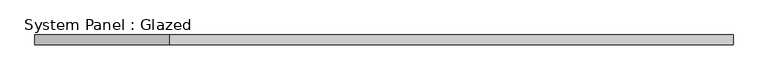
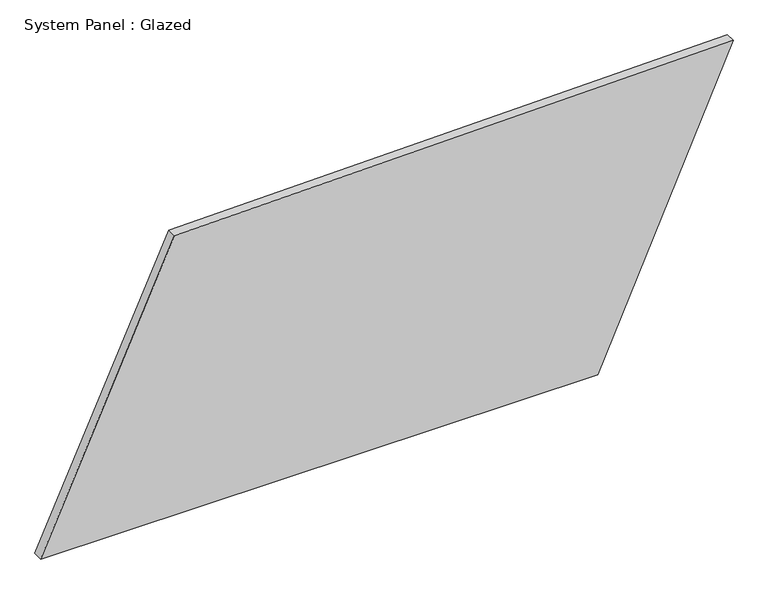
"""IFC4 building model written with IfcOpenShell, lengths in millimetres: plate geometry, System Panel : Glazed."""

import ifcopenshell
import ifcopenshell.guid

model = None  # the IFC model being written
_history = None  # IfcOwnerHistory: only IFC2X3 demands one
_inside = {}  # id of a spatial element -> (the spatial element, [elements in it])
_under = {}  # id of a project, library or spatial element -> (it, [spatial elements below it])
_declared = {}  # id of a project -> (the project, [libraries it declares])
_typed = {}  # id of a type object -> (the type object, [elements of that type])
_made_of = {}  # id of a material, layer set ... -> (it, [elements and type objects made of it])


def new_model(schema):
    """Start an empty IFC model of exactly this schema.

    Asked for "IFC4X3", IfcOpenShell would pick the latest addendum, in which some entities
    have other attributes; the version numbers below select the first issue.
    IFC2X3 requires an IfcOwnerHistory on every rooted entity: one is made here for all.
    """
    global model, _history
    if schema == "IFC4X3":
        model = ifcopenshell.file(schema_version=(4, 3, 0, 0))
    else:
        model = ifcopenshell.file(schema=schema)
    _inside.clear()
    _under.clear()
    _declared.clear()
    _typed.clear()
    _made_of.clear()
    _history = None
    if model.schema == "IFC2X3":
        org = make("IfcOrganization", Name="unknown")
        user = make(
            "IfcPersonAndOrganization",
            ThePerson=make("IfcPerson", FamilyName="unknown"),
            TheOrganization=org,
        )
        app = make(
            "IfcApplication",
            ApplicationDeveloper=org,
            Version="unknown",
            ApplicationFullName="unknown",
            ApplicationIdentifier="unknown",
        )
        _history = make(
            "IfcOwnerHistory",
            OwningUser=user,
            OwningApplication=app,
            ChangeAction="ADDED",
            CreationDate=0,
        )
    return model


def make(cls, **values):
    """One entity of the class cls with the attributes given. An attribute that is None is left unset."""
    return model.create_entity(
        cls, **{name: value for name, value in values.items() if value is not None}
    )


def rooted(cls, **values):
    """An entity with a GlobalId (a new one), such as an element, a storey or a relation."""
    return make(cls, GlobalId=ifcopenshell.guid.new(), OwnerHistory=_history, **values)


def si_unit(unit_type, name, prefix=None):
    """IfcSIUnit, for example si_unit("LENGTHUNIT", "METRE", prefix="MILLI")."""
    return make("IfcSIUnit", UnitType=unit_type, Prefix=prefix, Name=name)


def assignment(units):
    """IfcUnitAssignment: the units of a project."""
    return None if units is None else make("IfcUnitAssignment", Units=units)


def point(xyz):
    """IfcCartesianPoint."""
    return None if xyz is None else make("IfcCartesianPoint", Coordinates=xyz)


def direction(xyz):
    """IfcDirection."""
    return None if xyz is None else make("IfcDirection", DirectionRatios=xyz)


def frame(location, z_axis=None, x_axis=None):
    """IfcAxis2Placement3D, a coordinate frame: its origin and axes. An axis left out is left unset."""
    return make(
        "IfcAxis2Placement3D",
        Location=point(location),
        Axis=direction(z_axis),
        RefDirection=direction(x_axis),
    )


def origin():
    """The frame at (0, 0, 0) with its axes left unset."""
    return frame((0.0, 0.0, 0.0))


def place(relative_to, where):
    """IfcLocalPlacement: puts the frame where relative to a parent placement (None: the world)."""
    return make(
        "IfcLocalPlacement", PlacementRelTo=relative_to, RelativePlacement=where
    )


def context(
    kind, dimensions, precision=None, world=None, true_north=None, identifier=None
):
    """IfcGeometricRepresentationContext, for example the 3D "Model" context."""
    return make(
        "IfcGeometricRepresentationContext",
        ContextIdentifier=identifier,
        ContextType=kind,
        CoordinateSpaceDimension=dimensions,
        Precision=precision,
        WorldCoordinateSystem=world,
        TrueNorth=true_north,
    )


def project(units=None, contexts=None):
    """IfcProject with its units and contexts."""
    return rooted(
        "IfcProject",
        Name="project",
        RepresentationContexts=contexts,
        UnitsInContext=assignment(units),
    )


def spatial(cls, under=None, at=None, **own):
    """A site, building, storey or space (cls), placed at a placement, below another one or the project."""
    s = rooted(cls, ObjectPlacement=at, **own)
    if under is not None:
        _under.setdefault(under.id(), (under, []))[1].append(s)
    return s


def polyline(points):
    """IfcPolyline through the points."""
    return make("IfcPolyline", Points=[point(p) for p in points])


def outline(outer, holes=None, kind="AREA"):
    """IfcArbitraryClosedProfileDef: a profile drawn as a closed curve; with holes, ...WithVoids."""
    if holes is None:
        return make("IfcArbitraryClosedProfileDef", ProfileType=kind, OuterCurve=outer)
    return make(
        "IfcArbitraryProfileDefWithVoids",
        ProfileType=kind,
        OuterCurve=outer,
        InnerCurves=holes,
    )


def extrude(swept, where, along, depth):
    """IfcExtrudedAreaSolid: the profile swept, set in the frame where, extruded along a direction by depth."""
    return make(
        "IfcExtrudedAreaSolid",
        SweptArea=swept,
        Position=where,
        ExtrudedDirection=direction(along),
        Depth=depth,
    )


def shape(context_of_items, identifier, shape_type, items):
    """IfcShapeRepresentation: the items that make up one representation, for example the "Body"."""
    return make(
        "IfcShapeRepresentation",
        ContextOfItems=context_of_items,
        RepresentationIdentifier=identifier,
        RepresentationType=shape_type,
        Items=items,
    )


def source(mapping_origin, context_of_items, identifier, shape_type, items):
    """IfcRepresentationMap: a shape defined once, which mapped items show again and again."""
    return make(
        "IfcRepresentationMap",
        MappingOrigin=mapping_origin,
        MappedRepresentation=shape(context_of_items, identifier, shape_type, items),
    )


def transform(
    local_origin,
    x_axis=None,
    y_axis=None,
    z_axis=None,
    scale=None,
    scale2=None,
    scale3=None,
    uniform=True,
):
    """IfcCartesianTransformationOperator3D, or its non-uniform kind. x_axis, y_axis, z_axis: its Axis1, 2, 3."""
    if uniform:
        return make(
            "IfcCartesianTransformationOperator3D",
            Axis1=direction(x_axis),
            Axis2=direction(y_axis),
            LocalOrigin=point(local_origin),
            Scale=scale,
            Axis3=direction(z_axis),
        )
    return make(
        "IfcCartesianTransformationOperator3DnonUniform",
        Axis1=direction(x_axis),
        Axis2=direction(y_axis),
        LocalOrigin=point(local_origin),
        Scale=scale,
        Axis3=direction(z_axis),
        Scale2=scale2,
        Scale3=scale3,
    )


def mapped(mapping_source, mapping_target):
    """IfcMappedItem: shows the shape of a source again, moved by a transform."""
    return make(
        "IfcMappedItem", MappingSource=mapping_source, MappingTarget=mapping_target
    )


def made_of(thing, what):
    """Note that an element or type object is made of a material, layer set ...; save() writes the relation."""
    if what is not None:
        _made_of.setdefault(what.id(), (what, []))[1].append(thing)
    return thing


def element(
    cls,
    number,
    at=None,
    inside=None,
    cuts=None,
    type_object=None,
    material=None,
    context=None,
    identifier="Body",
    shape_type=None,
    held_by="IfcProductDefinitionShape",
    body=None,
    shapes=None,
    **own,
):
    """One element of the class cls, such as IfcWall. Its Tag is "e" and its number.

    at: its placement. inside: the storey or other place that contains it. cuts: it is an
    opening in that element (IfcRelVoidsElement). A single representation is given by context,
    identifier, shape_type and body (its items); several are given by shapes. held_by: the class
    of the entity that holds the representations. save() writes the other relations.
    """
    e = rooted(cls, Tag="e%d" % number, ObjectPlacement=at, **own)
    if body is not None:
        shapes = [shape(context, identifier, shape_type, body)]
    if shapes is not None:
        e.Representation = make(held_by, Representations=shapes)
    if inside is not None:
        _inside.setdefault(inside.id(), (inside, []))[1].append(e)
    if cuts is not None:
        rooted(
            "IfcRelVoidsElement", RelatingBuildingElement=cuts, RelatedOpeningElement=e
        )
    if type_object is not None:
        _typed.setdefault(type_object.id(), (type_object, []))[1].append(e)
    return made_of(e, material)


def aggregate(whole, parts):
    """IfcRelAggregates: a whole, such as a stair, and the parts it consists of."""
    return rooted("IfcRelAggregates", RelatingObject=whole, RelatedObjects=parts)


def save(model, path):
    """Write the relations noted so far, then the file.

    IfcRelAggregates (storeys below a building ...), IfcRelContainedInSpatialStructure (elements
    in a storey), IfcRelDefinesByType, IfcRelAssociatesMaterial and IfcRelDeclares: one each for
    every whole, place, type object, material and project.
    """
    for whole, parts in _under.values():
        aggregate(whole, parts)
    for where, things in _inside.values():
        rooted(
            "IfcRelContainedInSpatialStructure",
            RelatedElements=things,
            RelatingStructure=where,
        )
    for kind, things in _typed.values():
        rooted("IfcRelDefinesByType", RelatedObjects=things, RelatingType=kind)
    for what, things in _made_of.values():
        rooted("IfcRelAssociatesMaterial", RelatedObjects=things, RelatingMaterial=what)
    for by, libraries in _declared.values():
        rooted("IfcRelDeclares", RelatingContext=by, RelatedDefinitions=libraries)
    model.write(path)


def system_panel_glazed_abfbeeb1(model_context):
    return source(origin(), model_context, "Body", "SweptSolid", [
        extrude(outline(polyline([(0.0, -893.5468346), (0.0, 544.2262456), (788.9536432, 893.5468346), (761.5310189, -548.2608574), (0.0, -893.5468346)])), frame((0.0, -49.5, 0.0), z_axis=(0.0, 1.0, 0.0), x_axis=(0.0, 0.0, 1.0)), (0.0, 0.0, 1.0), 25.0),
    ])


if __name__ == "__main__":
    model = new_model("IFC4")
    model_context = context("Model", 3, world=origin())
    ifc_project = project(units=[si_unit("LENGTHUNIT", "METRE", prefix="MILLI")], contexts=[model_context])
    site = spatial("IfcSite", under=ifc_project)
    building = spatial("IfcBuilding", under=site)
    placement = place(None, origin())
    system_panel_glazed_shape = system_panel_glazed_abfbeeb1(model_context)
    element("IfcPlate", 1, ObjectType="System Panel : Glazed", at=placement, inside=building, context=model_context, shape_type="MappedRepresentation", body=[
        mapped(system_panel_glazed_shape, transform((0.0, 0.0, 0.0), x_axis=(1.0, 0.0, 0.0), y_axis=(0.0, 1.0, 0.0), z_axis=(0.0, 0.0, 1.0))),
    ])
    save(model, "model.ifc")
